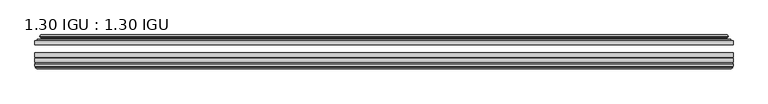
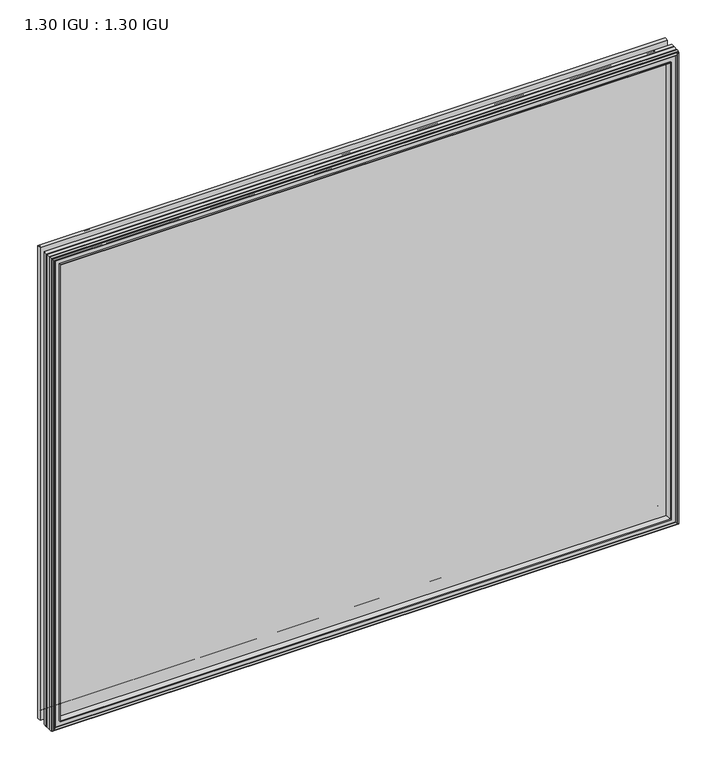
"""IFC4 building model written with IfcOpenShell, lengths in millimetres: plate geometry, 1.30 IGU : 1.30 IGU."""

from ifc_helpers import new_model, si_unit, frame, origin, place, context, project, spatial, polyline, ellipse_curve, outline, extrude, faceted_brep, source, transform, mapped, element, save
from ifc_brep_helpers import plane_surface, cylinder_surface, revolved_surface, advanced_brep


def plate_1_30_igu_1_30_igu_052aa83c(model_context):
    return source(origin(), model_context, "Body", "SolidModel", [
        extrude(outline(polyline([(547.5157782, -44.92625), (547.5157782, -51.27625), (-547.582725, -51.27625), (-547.582725, -44.92625), (547.5157782, -44.92625)])), frame((0.0, 0.0, -14.2875), z_axis=(0.0, 0.0, 1.0), x_axis=(1.0, 0.0, 0.0)), (0.0, 0.0, 1.0), 873.125),
        extrude(outline(polyline([(-547.582725, -78.58125), (-547.582725, -72.23125), (547.5157782, -72.23125), (547.5157782, -78.58125), (-547.582725, -78.58125)])), frame((0.0, 0.0, -14.2875), z_axis=(0.0, 0.0, 1.0), x_axis=(1.0, 0.0, 0.0)), (0.0, 0.0, 1.0), 873.125),
        extrude(outline(polyline([(-547.582725, -70.32625), (-547.582725, -63.97625), (547.5157782, -63.97625), (547.5157782, -70.32625), (-547.582725, -70.32625)])), frame((0.0, 0.0, -14.2875), z_axis=(0.0, 0.0, 1.0), x_axis=(1.0, 0.0, 0.0)), (0.0, 0.0, 1.0), 873.125),
        advanced_brep(
        [(-529.2475152, -43.8351483, 840.5022902), (-529.6893254, -44.92625, 840.9441004), (-529.6893254, -44.92625, 3.6058996), (-529.2475152, -43.8351483, 4.0477098), (-533.295225, -36.11245, 844.55), (-533.295225, -36.11245, 0.0), (-538.4811359, -37.2935491, 849.7359109), (-538.4811359, -37.2935491, -5.1859109), (-538.1515606, -36.4664324, 849.4063356), (-538.1515606, -36.4664324, -4.8563356), (-538.1515606, -35.6521812, 849.4063356), (-538.1515606, -35.6521812, -4.8563356), (-539.9678361, -37.610817, 851.2226111), (-539.9678361, -37.610817, -6.6726111), (-539.9678361, -38.3239429, 851.2226111), (-539.9678361, -38.3239429, -6.6726111), (-538.1515606, -40.2727974, 849.4063356), (-538.1515606, -40.2727974, -4.8563356), (-538.1515606, -39.4683275, 849.4063356), (-538.1515606, -39.4683275, -4.8563356), (-538.4734751, -38.6604367, 849.7282501), (-538.4734751, -38.6604367, -5.1782501), (-535.9496629, -38.502045, 847.2044379), (-535.9496629, -38.502045, -2.6544379), (-534.9238467, -39.1897544, 846.1786217), (-534.9238467, -39.1897544, -1.6286217), (-535.0422538, -40.5842231, 846.2970288), (-535.0422538, -40.5842231, -1.7470288), (-535.6439998, -42.08145, 846.8987748), (-535.6439998, -42.08145, -2.3487748), (-543.5697803, -43.9898729, 854.8245553), (-543.0841495, -42.08145, 854.3389245), (-543.0841495, -42.08145, -9.7889245), (-543.5697803, -43.9898729, -10.2745553), (-541.8490405, -44.92625, 853.1038155), (-541.8490405, -44.92625, -8.5538155), (529.6893254, -44.92625, 3.6058996), (529.2475152, -43.8351483, 4.0477098), (533.295225, -36.11245, 0.0), (538.4811359, -37.2935491, -5.1859109), (538.1515606, -36.4664324, -4.8563356), (538.1515606, -35.6521812, -4.8563356), (539.9678361, -37.610817, -6.6726111), (539.9678361, -38.3239429, -6.6726111), (538.1515606, -40.2727974, -4.8563356), (538.1515606, -39.4683275, -4.8563356), (538.4734751, -38.6604367, -5.1782501), (535.9496629, -38.502045, -2.6544379), (534.9238467, -39.1897544, -1.6286217), (535.0422538, -40.5842231, -1.7470288), (535.6439998, -42.08145, -2.3487748), (543.0841495, -42.08145, -9.7889245), (543.5697803, -43.9898729, -10.2745553), (541.8490405, -44.92625, -8.5538155), (529.6893254, -44.92625, 840.9441004), (529.2475152, -43.8351483, 840.5022902), (533.295225, -36.11245, 844.55), (538.4811359, -37.2935491, 849.7359109), (538.1515606, -36.4664324, 849.4063356), (538.1515606, -35.6521812, 849.4063356), (539.9678361, -37.610817, 851.2226111), (539.9678361, -38.3239429, 851.2226111), (538.1515606, -40.2727974, 849.4063356), (538.1515606, -39.4683275, 849.4063356), (538.4734751, -38.6604367, 849.7282501), (535.9496629, -38.502045, 847.2044379), (534.9238467, -39.1897544, 846.1786217), (535.0422538, -40.5842231, 846.2970288), (535.6439998, -42.08145, 846.8987748), (543.0841495, -42.08145, 854.3389245), (543.5697803, -43.9898729, 854.8245553), (541.8490405, -44.92625, 853.1038155)],
        [
            (0, 1, ellipse_curve(frame((-529.6893254, -44.29125, 840.9441004), z_axis=(-0.7071067811865475, 0.0, -0.7071067811865475), x_axis=(-0.7071067811865474, 0.0, 0.7071067811865476)), 0.8980256, 0.635)),
            (1, 2),
            (2, 3, ellipse_curve(frame((-529.6893254, -44.29125, 3.6058996), z_axis=(-0.7071067811865475, 0.0, 0.7071067811865475), x_axis=(0.7071067811865474, 0.0, 0.7071067811865476)), 0.8980256, 0.635)),
            (3, 0),
            (4, 0, ellipse_curve(frame((-519.5624304, -33.8367745, 830.8172054), z_axis=(0.7071067811865475, 0.0, 0.7071067811865475), x_axis=(0.7071067811865474, 0.0, -0.7071067811865476)), 19.6859517, 13.9200699)),
            (3, 5, ellipse_curve(frame((-519.5624304, -33.8367745, 13.7327946), z_axis=(0.7071067811865475, 0.0, -0.7071067811865475), x_axis=(-0.7071067811865474, 0.0, -0.7071067811865476)), 19.6859517, 13.9200699)),
            (5, 4),
            (6, 4),
            (5, 7),
            (7, 6),
            (8, 6),
            (7, 9),
            (9, 8),
            (10, 8),
            (9, 11),
            (11, 10),
            (12, 10),
            (11, 13),
            (13, 12),
            (14, 12, ellipse_curve(frame((-539.6059979, -37.96738, 850.8607729), z_axis=(-0.7071067811865475, 0.0, -0.7071067811865475), x_axis=(-0.7071067811865474, 0.0, 0.7071067811865476)), 0.7184205, 0.508)),
            (13, 15, ellipse_curve(frame((-539.6059979, -37.96738, -6.3107729), z_axis=(-0.7071067811865475, 0.0, 0.7071067811865475), x_axis=(0.7071067811865474, 0.0, 0.7071067811865476)), 0.7184205, 0.508)),
            (15, 14),
            (16, 14),
            (15, 17),
            (17, 16),
            (18, 16),
            (17, 19),
            (19, 18),
            (20, 18),
            (19, 21),
            (21, 20),
            (22, 20),
            (21, 23),
            (23, 22),
            (24, 22, ellipse_curve(frame((-535.886025, -39.51605, 847.1408), z_axis=(0.7071067811865475, 0.0, 0.7071067811865475), x_axis=(0.7071067811865474, 0.0, -0.7071067811865476)), 1.436841, 1.016)),
            (23, 25, ellipse_curve(frame((-535.886025, -39.51605, -2.5908), z_axis=(0.7071067811865475, 0.0, -0.7071067811865475), x_axis=(-0.7071067811865474, 0.0, -0.7071067811865476)), 1.436841, 1.016)),
            (25, 24),
            (26, 24, ellipse_curve(frame((-537.257625, -39.69385, 848.5124), z_axis=(0.7071067811865475, 0.0, 0.7071067811865475), x_axis=(0.7071067811865474, 0.0, -0.7071067811865476)), 3.3765763, 2.3876)),
            (25, 27, ellipse_curve(frame((-537.257625, -39.69385, -3.9624), z_axis=(0.7071067811865475, 0.0, -0.7071067811865475), x_axis=(-0.7071067811865474, 0.0, -0.7071067811865476)), 3.3765763, 2.3876)),
            (27, 26),
            (28, 26),
            (27, 29),
            (29, 28),
            (30, 31, ellipse_curve(frame((-543.0841495, -43.09745, 854.3389245), z_axis=(-0.7071067811865475, 0.0, -0.7071067811865475), x_axis=(-0.7071067811865474, 0.0, 0.7071067811865476)), 1.436841, 1.016)),
            (31, 32),
            (32, 33, ellipse_curve(frame((-543.0841495, -43.09745, -9.7889245), z_axis=(-0.7071067811865475, 0.0, 0.7071067811865475), x_axis=(0.7071067811865474, 0.0, 0.7071067811865476)), 1.436841, 1.016)),
            (33, 30),
            (34, 30),
            (33, 35),
            (35, 34),
            (2, 36),
            (36, 37, ellipse_curve(frame((529.6893254, -44.29125, 3.6058996), z_axis=(-0.7071067811865475, 0.0, -0.7071067811865475), x_axis=(-0.7071067811865476, 0.0, 0.7071067811865474)), 0.8980256, 0.635)),
            (37, 3),
            (37, 38, ellipse_curve(frame((519.5624304, -33.8367745, 13.7327946), z_axis=(0.7071067811865475, 0.0, 0.7071067811865475), x_axis=(0.7071067811865476, 0.0, -0.7071067811865474)), 19.6859517, 13.9200699)),
            (38, 5),
            (38, 39),
            (39, 7),
            (39, 40),
            (40, 9),
            (40, 41),
            (41, 11),
            (41, 42),
            (42, 13),
            (42, 43, ellipse_curve(frame((539.6059979, -37.96738, -6.3107729), z_axis=(-0.7071067811865475, 0.0, -0.7071067811865475), x_axis=(-0.7071067811865476, 0.0, 0.7071067811865474)), 0.7184205, 0.508)),
            (43, 15),
            (43, 44),
            (44, 17),
            (44, 45),
            (45, 19),
            (45, 46),
            (46, 21),
            (46, 47),
            (47, 23),
            (47, 48, ellipse_curve(frame((535.886025, -39.51605, -2.5908), z_axis=(0.7071067811865475, 0.0, 0.7071067811865475), x_axis=(0.7071067811865476, 0.0, -0.7071067811865474)), 1.436841, 1.016)),
            (48, 25),
            (48, 49, ellipse_curve(frame((537.257625, -39.69385, -3.9624), z_axis=(0.7071067811865475, 0.0, 0.7071067811865475), x_axis=(0.7071067811865476, 0.0, -0.7071067811865474)), 3.3765763, 2.3876)),
            (49, 27),
            (49, 50),
            (50, 29),
            (32, 51),
            (51, 52, ellipse_curve(frame((543.0841495, -43.09745, -9.7889245), z_axis=(-0.7071067811865475, 0.0, -0.7071067811865475), x_axis=(-0.7071067811865476, 0.0, 0.7071067811865474)), 1.436841, 1.016)),
            (52, 33),
            (52, 53),
            (53, 35),
            (36, 54),
            (54, 55, ellipse_curve(frame((529.6893254, -44.29125, 840.9441004), z_axis=(0.7071067811865475, 0.0, -0.7071067811865475), x_axis=(-0.7071067811865474, 0.0, -0.7071067811865476)), 0.8980256, 0.635)),
            (55, 37),
            (55, 56, ellipse_curve(frame((519.5624304, -33.8367745, 830.8172054), z_axis=(-0.7071067811865475, 0.0, 0.7071067811865475), x_axis=(0.7071067811865474, 0.0, 0.7071067811865476)), 19.6859517, 13.9200699)),
            (56, 38),
            (56, 57),
            (57, 39),
            (57, 58),
            (58, 40),
            (58, 59),
            (59, 41),
            (59, 60),
            (60, 42),
            (60, 61, ellipse_curve(frame((539.6059979, -37.96738, 850.8607729), z_axis=(0.7071067811865475, 0.0, -0.7071067811865475), x_axis=(-0.7071067811865474, 0.0, -0.7071067811865476)), 0.7184205, 0.508)),
            (61, 43),
            (61, 62),
            (62, 44),
            (62, 63),
            (63, 45),
            (63, 64),
            (64, 46),
            (64, 65),
            (65, 47),
            (65, 66, ellipse_curve(frame((535.886025, -39.51605, 847.1408), z_axis=(-0.7071067811865475, 0.0, 0.7071067811865475), x_axis=(0.7071067811865474, 0.0, 0.7071067811865476)), 1.436841, 1.016)),
            (66, 48),
            (66, 67, ellipse_curve(frame((537.257625, -39.69385, 848.5124), z_axis=(-0.7071067811865475, 0.0, 0.7071067811865475), x_axis=(0.7071067811865474, 0.0, 0.7071067811865476)), 3.3765763, 2.3876)),
            (67, 49),
            (67, 68),
            (68, 50),
            (51, 69),
            (69, 70, ellipse_curve(frame((543.0841495, -43.09745, 854.3389245), z_axis=(0.7071067811865475, 0.0, -0.7071067811865475), x_axis=(-0.7071067811865474, 0.0, -0.7071067811865476)), 1.436841, 1.016)),
            (70, 52),
            (70, 71),
            (71, 53),
            (54, 1),
            (0, 55),
            (4, 56),
            (6, 57),
            (8, 58),
            (10, 59),
            (12, 60),
            (14, 61),
            (16, 62),
            (18, 63),
            (20, 64),
            (22, 65),
            (24, 66),
            (26, 67),
            (28, 68),
            (31, 69),
            (30, 70),
            (34, 71),
        ],
        [
            cylinder_surface(frame((-529.6893254, -44.29125, 876.3), z_axis=(0.0, 0.0, 1.0), x_axis=(-1.0, 0.0, 0.0)), 0.635),
            revolved_surface(polyline([(-533.4825003000001, -33.8367745, -0.18727534118079348), (-533.4825003000001, -33.8367745, 844.7372753411809)]), (-519.5624304, -33.8367745, 876.3), (0.0, 0.0, -1.0)),
            plane_surface(frame((-533.295225, -36.11245, 844.55), z_axis=(-0.22206498442778658, 0.975031867525922, 0.0), x_axis=(0.0, 0.0, -1.0))),
            plane_surface(frame((-538.4811359, -37.2935491, 849.7359109), z_axis=(0.9289682685629922, -0.3701593656833182, 0.0), x_axis=(0.0, 0.0, -1.0))),
            plane_surface(frame((-538.1515606, -36.4664324, 849.4063356), z_axis=(1.0, 0.0, 0.0), x_axis=(0.0, 0.0, -1.0))),
            plane_surface(frame((-538.1515606, -35.6521812, 849.4063356), z_axis=(-0.7332521292723956, 0.6799568478348447, 0.0), x_axis=(0.0, 0.0, -1.0))),
            cylinder_surface(frame((-539.6059979, -37.96738, 876.3), z_axis=(0.0, 0.0, 1.0), x_axis=(-1.0, 0.0, 0.0)), 0.508),
            plane_surface(frame((-539.9678361, -38.3239429, 851.2226111), z_axis=(-0.7315522693036389, -0.6817853601220082, 0.0), x_axis=(0.0, 0.0, -1.0))),
            plane_surface(frame((-538.1515606, -40.2727974, 849.4063356), z_axis=(1.0, 0.0, 0.0), x_axis=(0.0, 0.0, -1.0))),
            plane_surface(frame((-538.1515606, -39.4683275, 849.4063356), z_axis=(0.9289682685631103, 0.37015936568302166, 0.0), x_axis=(0.0, 0.0, -1.0))),
            plane_surface(frame((-538.4734751, -38.6604367, 849.7282501), z_axis=(0.06263570119321644, -0.9980364567169048, 0.0), x_axis=(0.0, 0.0, -1.0))),
            revolved_surface(polyline([(-536.902025, -39.51605, -3.606800014586838), (-536.902025, -39.51605, 848.1568000145869)]), (-535.886025, -39.51605, 876.3), (0.0, 0.0, -1.0)),
            revolved_surface(polyline([(-539.645225, -39.69385, -6.3499999989237494), (-539.645225, -39.69385, 850.8999999989237)]), (-537.257625, -39.69385, 876.3), (0.0, 0.0, -1.0)),
            plane_surface(frame((-535.0422538, -40.5842231, 846.2970288), z_axis=(-0.9278652925428912, 0.372915538553028, 0.0), x_axis=(0.0, 0.0, -1.0))),
            cylinder_surface(frame((-543.0841495, -43.09745, 876.3), z_axis=(0.0, 0.0, 1.0), x_axis=(-1.0, 0.0, 0.0)), 1.016),
            plane_surface(frame((-543.5697803, -43.9898729, 854.8245553), z_axis=(-0.477983117370979, -0.8783690223979447, 0.0), x_axis=(0.0, 0.0, -1.0))),
            cylinder_surface(frame((-565.045225, -44.29125, 3.6058996), z_axis=(-1.0, 0.0, 0.0), x_axis=(0.0, 0.0, -1.0)), 0.635),
            revolved_surface(polyline([(533.482500341181, -33.8367745, -0.1872752999999996), (-533.4825003411809, -33.8367745, -0.1872752999999996)]), (-565.045225, -33.8367745, 13.7327946), (1.0, 0.0, 0.0)),
            plane_surface(frame((-533.295225, -36.11245, 0.0), z_axis=(0.0, 0.9750318675259213, -0.22206498442778974), x_axis=(1.0, 0.0, 0.0))),
            plane_surface(frame((-538.4811359, -37.2935491, -5.1859109), z_axis=(0.0, -0.3701593656833152, 0.9289682685629934), x_axis=(1.0, 0.0, 0.0))),
            plane_surface(frame((-538.1515606, -36.4664324, -4.8563356), z_axis=(0.0, 0.0, 1.0), x_axis=(1.0, 0.0, 0.0))),
            plane_surface(frame((-538.1515606, -35.6521812, -4.8563356), z_axis=(0.0, 0.6799568478348423, -0.7332521292723978), x_axis=(1.0, 0.0, 0.0))),
            cylinder_surface(frame((-565.045225, -37.96738, -6.3107729), z_axis=(-1.0, 0.0, 0.0), x_axis=(0.0, 0.0, -1.0)), 0.508),
            plane_surface(frame((-539.9678361, -38.3239429, -6.6726111), z_axis=(0.0, -0.6817853601220105, -0.7315522693036367), x_axis=(1.0, 0.0, 0.0))),
            plane_surface(frame((-538.1515606, -40.2727974, -4.8563356), z_axis=(0.0, 0.0, 1.0), x_axis=(1.0, 0.0, 0.0))),
            plane_surface(frame((-538.1515606, -39.4683275, -4.8563356), z_axis=(0.0, 0.37015936568302465, 0.9289682685631091), x_axis=(1.0, 0.0, 0.0))),
            plane_surface(frame((-538.4734751, -38.6604367, -5.1782501), z_axis=(0.0, -0.9980364567169046, 0.06263570119321968), x_axis=(1.0, 0.0, 0.0))),
            revolved_surface(polyline([(536.9020250145869, -39.51605, -3.6068000000000002), (-536.9020250145869, -39.51605, -3.6068000000000002)]), (-565.045225, -39.51605, -2.5908), (1.0, 0.0, 0.0)),
            revolved_surface(polyline([(539.6452249989239, -39.69385, -6.35), (-539.6452249989237, -39.69385, -6.35)]), (-565.045225, -39.69385, -3.9624), (1.0, 0.0, 0.0)),
            plane_surface(frame((-535.0422538, -40.5842231, -1.7470288), z_axis=(0.0, 0.372915538553025, -0.9278652925428924), x_axis=(1.0, 0.0, 0.0))),
            cylinder_surface(frame((-565.045225, -43.09745, -9.7889245), z_axis=(-1.0, 0.0, 0.0), x_axis=(0.0, 0.0, -1.0)), 1.016),
            plane_surface(frame((-543.5697803, -43.9898729, -10.2745553), z_axis=(0.0, -0.8783690223979462, -0.47798311737097615), x_axis=(1.0, 0.0, 0.0))),
            cylinder_surface(frame((529.6893254, -44.29125, -31.75), z_axis=(0.0, 0.0, -1.0), x_axis=(1.0, 0.0, 0.0)), 0.635),
            revolved_surface(polyline([(533.4825003000001, -33.8367745, 844.7372753411809), (533.4825003000001, -33.8367745, -0.1872753411808432)]), (519.5624304, -33.8367745, -31.75), (0.0, 0.0, 1.0)),
            plane_surface(frame((533.295225, -36.11245, 0.0), z_axis=(0.22206498442779288, 0.9750318675259205, 0.0), x_axis=(0.0, 0.0, 1.0))),
            plane_surface(frame((538.4811359, -37.2935491, -5.1859109), z_axis=(-0.9289682685629946, -0.3701593656833122, 0.0), x_axis=(0.0, 0.0, 1.0))),
            plane_surface(frame((538.1515606, -36.4664324, -4.8563356), z_axis=(-1.0, 0.0, 0.0), x_axis=(0.0, 0.0, 1.0))),
            plane_surface(frame((538.1515606, -35.6521812, -4.8563356), z_axis=(0.7332521292724, 0.67995684783484, 0.0), x_axis=(0.0, 0.0, 1.0))),
            cylinder_surface(frame((539.6059979, -37.96738, -31.75), z_axis=(0.0, 0.0, -1.0), x_axis=(1.0, 0.0, 0.0)), 0.508),
            plane_surface(frame((539.9678361, -38.3239429, -6.6726111), z_axis=(0.7315522693036345, -0.6817853601220129, 0.0), x_axis=(0.0, 0.0, 1.0))),
            plane_surface(frame((538.1515606, -40.2727974, -4.8563356), z_axis=(-1.0, 0.0, 0.0), x_axis=(0.0, 0.0, 1.0))),
            plane_surface(frame((538.1515606, -39.4683275, -4.8563356), z_axis=(-0.928968268563108, 0.3701593656830277, 0.0), x_axis=(0.0, 0.0, 1.0))),
            plane_surface(frame((538.4734751, -38.6604367, -5.1782501), z_axis=(-0.06263570119322291, -0.9980364567169043, 0.0), x_axis=(0.0, 0.0, 1.0))),
            revolved_surface(polyline([(536.902025, -39.51605, 848.1568000145869), (536.902025, -39.51605, -3.606800014586863)]), (535.886025, -39.51605, -31.75), (0.0, 0.0, 1.0)),
            revolved_surface(polyline([(539.645225, -39.69385, 850.8999999989237), (539.645225, -39.69385, -6.349999998923781)]), (537.257625, -39.69385, -31.75), (0.0, 0.0, 1.0)),
            plane_surface(frame((535.0422538, -40.5842231, -1.7470288), z_axis=(0.9278652925428936, 0.372915538553022, 0.0), x_axis=(0.0, 0.0, 1.0))),
            cylinder_surface(frame((543.0841495, -43.09745, -31.75), z_axis=(0.0, 0.0, -1.0), x_axis=(1.0, 0.0, 0.0)), 1.016),
            plane_surface(frame((543.5697803, -43.9898729, -10.2745553), z_axis=(0.4779831173709733, -0.8783690223979478, 0.0), x_axis=(0.0, 0.0, 1.0))),
            cylinder_surface(frame((565.045225, -44.29125, 840.9441004), z_axis=(1.0, 0.0, 0.0), x_axis=(0.0, 0.0, 1.0)), 0.635),
            revolved_surface(polyline([(-533.482500341181, -33.8367745, 844.7372753000001), (533.4825003411809, -33.8367745, 844.7372753000001)]), (565.045225, -33.8367745, 830.8172054), (-1.0, 0.0, 0.0)),
            plane_surface(frame((533.295225, -36.11245, 844.55), z_axis=(0.0, 0.9750318675259212, 0.2220649844277897), x_axis=(-1.0, 0.0, 0.0))),
            plane_surface(frame((538.4811359, -37.2935491, 849.7359109), z_axis=(0.0, -0.3701593656833152, -0.9289682685629934), x_axis=(-1.0, 0.0, 0.0))),
            plane_surface(frame((538.1515606, -36.4664324, 849.4063356), z_axis=(0.0, 0.0, -1.0), x_axis=(-1.0, 0.0, 0.0))),
            plane_surface(frame((538.1515606, -35.6521812, 849.4063356), z_axis=(0.0, 0.6799568478348423, 0.7332521292723978), x_axis=(-1.0, 0.0, 0.0))),
            cylinder_surface(frame((565.045225, -37.96738, 850.8607729), z_axis=(1.0, 0.0, 0.0), x_axis=(0.0, 0.0, 1.0)), 0.508),
            plane_surface(frame((539.9678361, -38.3239429, 851.2226111), z_axis=(0.0, -0.6817853601220105, 0.7315522693036367), x_axis=(-1.0, 0.0, 0.0))),
            plane_surface(frame((538.1515606, -40.2727974, 849.4063356), z_axis=(0.0, 0.0, -1.0), x_axis=(-1.0, 0.0, 0.0))),
            plane_surface(frame((538.1515606, -39.4683275, 849.4063356), z_axis=(0.0, 0.3701593656830247, -0.9289682685631092), x_axis=(-1.0, 0.0, 0.0))),
            plane_surface(frame((538.4734751, -38.6604367, 849.7282501), z_axis=(0.0, -0.9980364567169046, -0.06263570119321968), x_axis=(-1.0, 0.0, 0.0))),
            revolved_surface(polyline([(-536.9020250145869, -39.51605, 848.1568), (536.9020250145869, -39.51605, 848.1568)]), (565.045225, -39.51605, 847.1408), (-1.0, 0.0, 0.0)),
            revolved_surface(polyline([(-539.6452249989239, -39.69385, 850.9), (539.6452249989237, -39.69385, 850.9)]), (565.045225, -39.69385, 848.5124), (-1.0, 0.0, 0.0)),
            plane_surface(frame((535.0422538, -40.5842231, 846.2970288), z_axis=(0.0, 0.372915538553025, 0.9278652925428924), x_axis=(-1.0, 0.0, 0.0))),
            plane_surface(frame((535.6439998, -42.08145, 846.8987748), z_axis=(0.0, 1.0, 0.0), x_axis=(-1.0, 0.0, 0.0))),
            cylinder_surface(frame((565.045225, -43.09745, 854.3389245), z_axis=(1.0, 0.0, 0.0), x_axis=(0.0, 0.0, 1.0)), 1.016),
            plane_surface(frame((543.5697803, -43.9898729, 854.8245553), z_axis=(0.0, -0.8783690223979462, 0.47798311737097615), x_axis=(-1.0, 0.0, 0.0))),
            plane_surface(frame((541.8490405, -44.92625, 853.1038155), z_axis=(0.0, -1.0, 0.0), x_axis=(-1.0, 0.0, 0.0))),
        ],
        [
            (0, [[1, 2, 3, 4]]),
            (1, [[5, -4, 6, 7]]),
            (2, [[8, -7, 9, 10]]),
            (3, [[11, -10, 12, 13]]),
            (4, [[14, -13, 15, 16]]),
            (5, [[17, -16, 18, 19]]),
            (6, [[20, -19, 21, 22]]),
            (7, [[23, -22, 24, 25]]),
            (8, [[26, -25, 27, 28]]),
            (9, [[29, -28, 30, 31]]),
            (10, [[32, -31, 33, 34]]),
            (11, [[35, -34, 36, 37]]),
            (12, [[38, -37, 39, 40]]),
            (13, [[41, -40, 42, 43]]),
            (14, [[44, 45, 46, 47]]),
            (15, [[48, -47, 49, 50]]),
            (16, [[-3, 51, 52, 53]]),
            (17, [[-6, -53, 54, 55]]),
            (18, [[-9, -55, 56, 57]]),
            (19, [[-12, -57, 58, 59]]),
            (20, [[-15, -59, 60, 61]]),
            (21, [[-18, -61, 62, 63]]),
            (22, [[-21, -63, 64, 65]]),
            (23, [[-24, -65, 66, 67]]),
            (24, [[-27, -67, 68, 69]]),
            (25, [[-30, -69, 70, 71]]),
            (26, [[-33, -71, 72, 73]]),
            (27, [[-36, -73, 74, 75]]),
            (28, [[-39, -75, 76, 77]]),
            (29, [[-42, -77, 78, 79]]),
            (30, [[-46, 80, 81, 82]]),
            (31, [[-49, -82, 83, 84]]),
            (32, [[-52, 85, 86, 87]]),
            (33, [[-54, -87, 88, 89]]),
            (34, [[-56, -89, 90, 91]]),
            (35, [[-58, -91, 92, 93]]),
            (36, [[-60, -93, 94, 95]]),
            (37, [[-62, -95, 96, 97]]),
            (38, [[-64, -97, 98, 99]]),
            (39, [[-66, -99, 100, 101]]),
            (40, [[-68, -101, 102, 103]]),
            (41, [[-70, -103, 104, 105]]),
            (42, [[-72, -105, 106, 107]]),
            (43, [[-74, -107, 108, 109]]),
            (44, [[-76, -109, 110, 111]]),
            (45, [[-78, -111, 112, 113]]),
            (46, [[-81, 114, 115, 116]]),
            (47, [[-83, -116, 117, 118]]),
            (48, [[-86, 119, -1, 120]]),
            (49, [[-88, -120, -5, 121]]),
            (50, [[-90, -121, -8, 122]]),
            (51, [[-92, -122, -11, 123]]),
            (52, [[-94, -123, -14, 124]]),
            (53, [[-96, -124, -17, 125]]),
            (54, [[-98, -125, -20, 126]]),
            (55, [[-100, -126, -23, 127]]),
            (56, [[-102, -127, -26, 128]]),
            (57, [[-104, -128, -29, 129]]),
            (58, [[-106, -129, -32, 130]]),
            (59, [[-108, -130, -35, 131]]),
            (60, [[-110, -131, -38, 132]]),
            (61, [[-112, -132, -41, 133]]),
            (62, [[134, -114, -80, -45], [-79, -113, -133, -43]]),
            (63, [[-115, -134, -44, 135]]),
            (64, [[-117, -135, -48, 136]]),
            (65, [[-84, -118, -136, -50], [-119, -85, -51, -2]]),
        ],
    ),
        faceted_brep([(-529.4410077, -78.58125, 840.6957827), (-532.0073048, -87.47125, 843.2620798), (-532.0073048, -87.47125, 1.2879202), (-529.4410077, -78.58125, 3.8542173), (-547.595425, -80.7883102, 858.8502), (-545.3883648, -78.58125, 856.6431398), (-545.3883648, -78.58125, -12.0931398), (-547.595425, -80.7883102, -14.3002), (-547.595425, -84.93125, 858.8502), (-547.595425, -84.93125, -14.3002), (-545.1764025, -86.11489, 856.4311775), (-546.0155932, -84.93125, 857.2703682), (-546.0155932, -84.93125, -12.7203682), (-545.1764025, -86.11489, -11.8811775), (-544.979225, -87.4125884, 856.234), (-544.979225, -87.4125884, -11.684), (-545.954885, -86.8828917, 857.20966), (-545.954885, -86.8828917, -12.65966), (-544.420425, -88.6999663, 855.6752), (-546.7475555, -86.8828917, 858.0023305), (-546.7475555, -86.8828917, -13.4523305), (-544.420425, -88.6999663, -11.1252), (-542.0932945, -86.8828917, 853.3480695), (-542.0932945, -86.8828917, -8.7980695), (-543.861625, -87.4125884, 855.1164), (-542.885965, -86.8828917, 854.14074), (-542.885965, -86.8828917, -9.59074), (-543.861625, -87.4125884, -10.5664), (-543.6644475, -86.11489, 854.9192225), (-543.6644475, -86.11489, -10.3692225), (-542.794825, -84.93125, 854.0496), (-542.794825, -84.93125, -9.4996), (-533.6465917, -87.47125, 844.9013667), (-533.117425, -84.93125, 844.3722), (-533.117425, -84.93125, 0.1778), (-533.6465917, -87.47125, -0.3513667), (532.0073048, -87.47125, 1.2879202), (529.4410077, -78.58125, 3.8542173), (545.3883648, -78.58125, -12.0931398), (547.595425, -80.7883102, -14.3002), (547.595425, -84.93125, -14.3002), (546.0155932, -84.93125, -12.7203682), (545.1764025, -86.11489, -11.8811775), (544.979225, -87.4125884, -11.684), (545.954885, -86.8828917, -12.65966), (546.7475555, -86.8828917, -13.4523305), (544.420425, -88.6999663, -11.1252), (542.0932945, -86.8828917, -8.7980695), (542.885965, -86.8828917, -9.59074), (543.861625, -87.4125884, -10.5664), (543.6644475, -86.11489, -10.3692225), (542.794825, -84.93125, -9.4996), (533.117425, -84.93125, 0.1778), (533.6465917, -87.47125, -0.3513667), (532.0073048, -87.47125, 843.2620798), (529.4410077, -78.58125, 840.6957827), (545.3883648, -78.58125, 856.6431398), (547.595425, -80.7883102, 858.8502), (547.595425, -84.93125, 858.8502), (546.0155932, -84.93125, 857.2703682), (545.1764025, -86.11489, 856.4311775), (544.979225, -87.4125884, 856.234), (545.954885, -86.8828917, 857.20966), (546.7475555, -86.8828917, 858.0023305), (544.420425, -88.6999663, 855.6752), (542.0932945, -86.8828917, 853.3480695), (542.885965, -86.8828917, 854.14074), (543.861625, -87.4125884, 855.1164), (543.6644475, -86.11489, 854.9192225), (542.794825, -84.93125, 854.0496), (533.117425, -84.93125, 844.3722), (533.6465917, -87.47125, 844.9013667)], [[[0, 1, 2, 3]], [[4, 5, 6, 7]], [[8, 4, 7, 9]], [[10, 11, 12, 13]], [[14, 10, 13, 15]], [[16, 14, 15, 17]], [[18, 19, 20, 21]], [[22, 18, 21, 23]], [[24, 25, 26, 27]], [[28, 24, 27, 29]], [[30, 28, 29, 31]], [[32, 33, 34, 35]], [[3, 2, 36, 37]], [[7, 6, 38, 39]], [[9, 7, 39, 40]], [[13, 12, 41, 42]], [[15, 13, 42, 43]], [[17, 15, 43, 44]], [[21, 20, 45, 46]], [[23, 21, 46, 47]], [[27, 26, 48, 49]], [[29, 27, 49, 50]], [[31, 29, 50, 51]], [[35, 34, 52, 53]], [[37, 36, 54, 55]], [[39, 38, 56, 57]], [[40, 39, 57, 58]], [[42, 41, 59, 60]], [[43, 42, 60, 61]], [[44, 43, 61, 62]], [[46, 45, 63, 64]], [[47, 46, 64, 65]], [[49, 48, 66, 67]], [[50, 49, 67, 68]], [[51, 50, 68, 69]], [[53, 52, 70, 71]], [[55, 54, 1, 0]], [[5, 56, 38, 6], [3, 37, 55, 0]], [[57, 56, 5, 4]], [[58, 57, 4, 8]], [[9, 40, 58, 8], [11, 59, 41, 12]], [[60, 59, 11, 10]], [[61, 60, 10, 14]], [[62, 61, 14, 16]], [[19, 63, 45, 20], [17, 44, 62, 16]], [[64, 63, 19, 18]], [[65, 64, 18, 22]], [[25, 66, 48, 26], [23, 47, 65, 22]], [[67, 66, 25, 24]], [[68, 67, 24, 28]], [[69, 68, 28, 30]], [[31, 51, 69, 30], [33, 70, 52, 34]], [[71, 70, 33, 32]], [[35, 53, 71, 32], [1, 54, 36, 2]]]),
    ])


if __name__ == "__main__":
    model = new_model("IFC4")
    model_context = context("Model", 3, world=origin())
    ifc_project = project(units=[si_unit("LENGTHUNIT", "METRE", prefix="MILLI")], contexts=[model_context])
    site = spatial("IfcSite", under=ifc_project)
    building = spatial("IfcBuilding", under=site)
    placement = place(None, origin())
    plate_1_30_igu_1_30_igu_shape = plate_1_30_igu_1_30_igu_052aa83c(model_context)
    element("IfcPlate", 1, ObjectType="1.30 IGU : 1.30 IGU", at=placement, inside=building, context=model_context, shape_type="MappedRepresentation", body=[
        mapped(plate_1_30_igu_1_30_igu_shape, transform((0.0, 0.0, 0.0), x_axis=(1.0, 0.0, 0.0), y_axis=(0.0, 1.0, 0.0), z_axis=(0.0, 0.0, 1.0))),
    ])
    save(model, "model.ifc")
